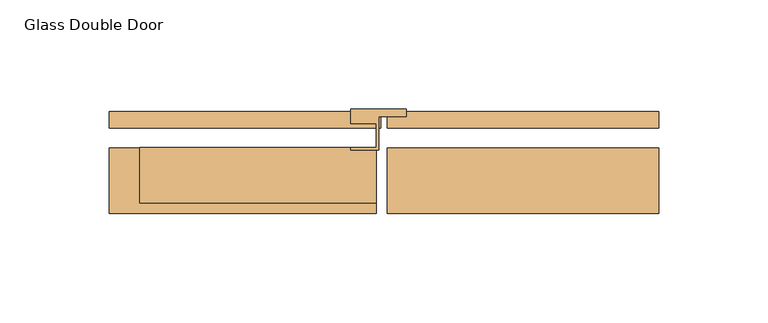
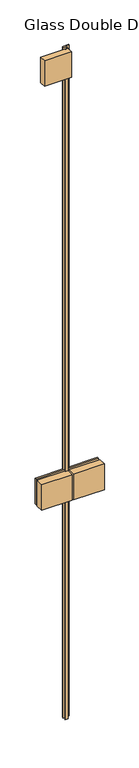
"""IFC4 building model written with IfcOpenShell, lengths in millimetres: door geometry, Glass Double Door."""

from ifc_helpers import new_model, si_unit, frame, origin, place, context, project, spatial, polyline, outline, extrude, source, transform, mapped, element, save


def glass_double_door_e72a0660(model_context):
    return source(origin(), model_context, "Body", "SweptSolid", [
        extrude(outline(polyline([(11.3053693, 5.7669455), (11.3053693, 2.3379455), (-1.27, 2.3379455), (-1.27, -12.9020545), (-14.0946307, -12.9020545), (-14.0946307, -11.6320545), (-2.54, -11.6320545), (-2.54, -0.8370545), (-14.0946307, -0.8370545), (-14.0946307, 5.7669455), (11.3053693, 5.7669455)])), frame((0.0, 0.0, 12.7), z_axis=(0.0, 0.0, 1.0), x_axis=(1.0, 0.0, 0.0)), (0.0, 0.0, 1.0), 2829.7886),
        extrude(outline(polyline([(-124.3748055, -2.6150545), (-124.3748055, 5.0049455), (-0.4668, 5.0049455), (-0.4668, -2.6150545), (-124.3748055, -2.6150545)])), frame((0.0, 0.0, 952.4296945), z_axis=(0.0, 0.0, 1.0), x_axis=(1.0, 0.0, 0.0)), (0.0, 0.0, 1.0), 108.090611),
        extrude(outline(polyline([(2.54, -2.6150545), (2.54, 5.0049455), (126.4480055, 5.0049455), (126.4480055, -2.6150545), (2.54, -2.6150545)])), frame((0.0, 0.0, 952.4296945), z_axis=(0.0, 0.0, 1.0), x_axis=(1.0, 0.0, 0.0)), (0.0, 0.0, 1.0), 108.090611),
        extrude(outline(polyline([(-2.54, -11.6320545), (-2.54, -41.4770545), (-124.3748055, -41.4770545), (-124.3748055, -11.6320545), (-2.54, -11.6320545)])), frame((0.0, 0.0, 952.4296945), z_axis=(0.0, 0.0, 1.0), x_axis=(1.0, 0.0, 0.0)), (0.0, 0.0, 1.0), 108.090611),
        extrude(outline(polyline([(126.4480055, -11.6320545), (126.4480055, -41.4770545), (2.54, -41.4770545), (2.54, -11.6320545), (126.4480055, -11.6320545)])), frame((0.0, 0.0, 952.4296945), z_axis=(0.0, 0.0, 1.0), x_axis=(1.0, 0.0, 0.0)), (0.0, 0.0, 1.0), 108.090611),
        extrude(outline(polyline([(-2.54, -11.6320545), (-2.54, -37.0320545), (-110.49, -37.0320545), (-110.49, -11.6320545), (-2.54, -11.6320545)])), frame((0.0, 0.0, 2734.5386), z_axis=(0.0, 0.0, 1.0), x_axis=(1.0, 0.0, 0.0)), (0.0, 0.0, 1.0), 107.95),
    ])


if __name__ == "__main__":
    model = new_model("IFC4")
    model_context = context("Model", 3, world=origin())
    ifc_project = project(units=[si_unit("LENGTHUNIT", "METRE", prefix="MILLI")], contexts=[model_context])
    site = spatial("IfcSite", under=ifc_project)
    building = spatial("IfcBuilding", under=site)
    placement = place(None, origin())
    glass_double_door_shape = glass_double_door_e72a0660(model_context)
    element("IfcDoor", 1, ObjectType="Glass Double Door", at=placement, inside=building, context=model_context, shape_type="MappedRepresentation", body=[
        mapped(glass_double_door_shape, transform((0.0, 0.0, 0.0), x_axis=(1.0, 0.0, 0.0), y_axis=(0.0, 1.0, 0.0), z_axis=(0.0, 0.0, 1.0))),
    ])
    save(model, "model.ifc")
